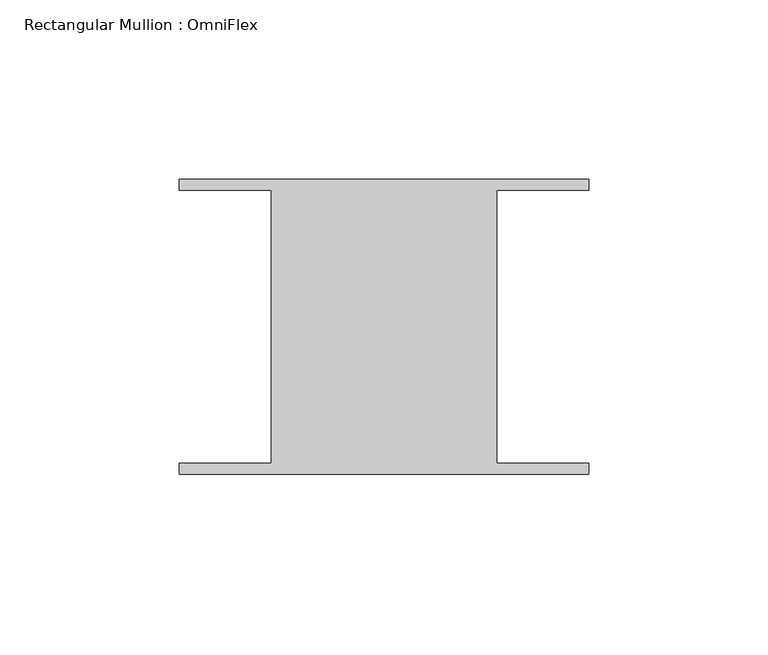
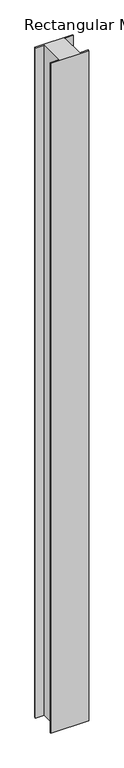
"""IFC4 building model written with IfcOpenShell, lengths in millimetres: member geometry, Rectangular Mullion : OmniFlex."""

import ifcopenshell
import ifcopenshell.guid

model = None  # the IFC model being written
_history = None  # IfcOwnerHistory: only IFC2X3 demands one
_inside = {}  # id of a spatial element -> (the spatial element, [elements in it])
_under = {}  # id of a project, library or spatial element -> (it, [spatial elements below it])
_declared = {}  # id of a project -> (the project, [libraries it declares])
_typed = {}  # id of a type object -> (the type object, [elements of that type])
_made_of = {}  # id of a material, layer set ... -> (it, [elements and type objects made of it])


def new_model(schema):
    """Start an empty IFC model of exactly this schema.

    Asked for "IFC4X3", IfcOpenShell would pick the latest addendum, in which some entities
    have other attributes; the version numbers below select the first issue.
    IFC2X3 requires an IfcOwnerHistory on every rooted entity: one is made here for all.
    """
    global model, _history
    if schema == "IFC4X3":
        model = ifcopenshell.file(schema_version=(4, 3, 0, 0))
    else:
        model = ifcopenshell.file(schema=schema)
    _inside.clear()
    _under.clear()
    _declared.clear()
    _typed.clear()
    _made_of.clear()
    _history = None
    if model.schema == "IFC2X3":
        org = make("IfcOrganization", Name="unknown")
        user = make(
            "IfcPersonAndOrganization",
            ThePerson=make("IfcPerson", FamilyName="unknown"),
            TheOrganization=org,
        )
        app = make(
            "IfcApplication",
            ApplicationDeveloper=org,
            Version="unknown",
            ApplicationFullName="unknown",
            ApplicationIdentifier="unknown",
        )
        _history = make(
            "IfcOwnerHistory",
            OwningUser=user,
            OwningApplication=app,
            ChangeAction="ADDED",
            CreationDate=0,
        )
    return model


def make(cls, **values):
    """One entity of the class cls with the attributes given. An attribute that is None is left unset."""
    return model.create_entity(
        cls, **{name: value for name, value in values.items() if value is not None}
    )


def rooted(cls, **values):
    """An entity with a GlobalId (a new one), such as an element, a storey or a relation."""
    return make(cls, GlobalId=ifcopenshell.guid.new(), OwnerHistory=_history, **values)


def si_unit(unit_type, name, prefix=None):
    """IfcSIUnit, for example si_unit("LENGTHUNIT", "METRE", prefix="MILLI")."""
    return make("IfcSIUnit", UnitType=unit_type, Prefix=prefix, Name=name)


def assignment(units):
    """IfcUnitAssignment: the units of a project."""
    return None if units is None else make("IfcUnitAssignment", Units=units)


def point(xyz):
    """IfcCartesianPoint."""
    return None if xyz is None else make("IfcCartesianPoint", Coordinates=xyz)


def direction(xyz):
    """IfcDirection."""
    return None if xyz is None else make("IfcDirection", DirectionRatios=xyz)


def frame(location, z_axis=None, x_axis=None):
    """IfcAxis2Placement3D, a coordinate frame: its origin and axes. An axis left out is left unset."""
    return make(
        "IfcAxis2Placement3D",
        Location=point(location),
        Axis=direction(z_axis),
        RefDirection=direction(x_axis),
    )


def origin():
    """The frame at (0, 0, 0) with its axes left unset."""
    return frame((0.0, 0.0, 0.0))


def place(relative_to, where):
    """IfcLocalPlacement: puts the frame where relative to a parent placement (None: the world)."""
    return make(
        "IfcLocalPlacement", PlacementRelTo=relative_to, RelativePlacement=where
    )


def context(
    kind, dimensions, precision=None, world=None, true_north=None, identifier=None
):
    """IfcGeometricRepresentationContext, for example the 3D "Model" context."""
    return make(
        "IfcGeometricRepresentationContext",
        ContextIdentifier=identifier,
        ContextType=kind,
        CoordinateSpaceDimension=dimensions,
        Precision=precision,
        WorldCoordinateSystem=world,
        TrueNorth=true_north,
    )


def project(units=None, contexts=None):
    """IfcProject with its units and contexts."""
    return rooted(
        "IfcProject",
        Name="project",
        RepresentationContexts=contexts,
        UnitsInContext=assignment(units),
    )


def spatial(cls, under=None, at=None, **own):
    """A site, building, storey or space (cls), placed at a placement, below another one or the project."""
    s = rooted(cls, ObjectPlacement=at, **own)
    if under is not None:
        _under.setdefault(under.id(), (under, []))[1].append(s)
    return s


def polyline(points):
    """IfcPolyline through the points."""
    return make("IfcPolyline", Points=[point(p) for p in points])


def outline(outer, holes=None, kind="AREA"):
    """IfcArbitraryClosedProfileDef: a profile drawn as a closed curve; with holes, ...WithVoids."""
    if holes is None:
        return make("IfcArbitraryClosedProfileDef", ProfileType=kind, OuterCurve=outer)
    return make(
        "IfcArbitraryProfileDefWithVoids",
        ProfileType=kind,
        OuterCurve=outer,
        InnerCurves=holes,
    )


def extrude(swept, where, along, depth):
    """IfcExtrudedAreaSolid: the profile swept, set in the frame where, extruded along a direction by depth."""
    return make(
        "IfcExtrudedAreaSolid",
        SweptArea=swept,
        Position=where,
        ExtrudedDirection=direction(along),
        Depth=depth,
    )


def shape(context_of_items, identifier, shape_type, items):
    """IfcShapeRepresentation: the items that make up one representation, for example the "Body"."""
    return make(
        "IfcShapeRepresentation",
        ContextOfItems=context_of_items,
        RepresentationIdentifier=identifier,
        RepresentationType=shape_type,
        Items=items,
    )


def source(mapping_origin, context_of_items, identifier, shape_type, items):
    """IfcRepresentationMap: a shape defined once, which mapped items show again and again."""
    return make(
        "IfcRepresentationMap",
        MappingOrigin=mapping_origin,
        MappedRepresentation=shape(context_of_items, identifier, shape_type, items),
    )


def transform(
    local_origin,
    x_axis=None,
    y_axis=None,
    z_axis=None,
    scale=None,
    scale2=None,
    scale3=None,
    uniform=True,
):
    """IfcCartesianTransformationOperator3D, or its non-uniform kind. x_axis, y_axis, z_axis: its Axis1, 2, 3."""
    if uniform:
        return make(
            "IfcCartesianTransformationOperator3D",
            Axis1=direction(x_axis),
            Axis2=direction(y_axis),
            LocalOrigin=point(local_origin),
            Scale=scale,
            Axis3=direction(z_axis),
        )
    return make(
        "IfcCartesianTransformationOperator3DnonUniform",
        Axis1=direction(x_axis),
        Axis2=direction(y_axis),
        LocalOrigin=point(local_origin),
        Scale=scale,
        Axis3=direction(z_axis),
        Scale2=scale2,
        Scale3=scale3,
    )


def mapped(mapping_source, mapping_target):
    """IfcMappedItem: shows the shape of a source again, moved by a transform."""
    return make(
        "IfcMappedItem", MappingSource=mapping_source, MappingTarget=mapping_target
    )


def made_of(thing, what):
    """Note that an element or type object is made of a material, layer set ...; save() writes the relation."""
    if what is not None:
        _made_of.setdefault(what.id(), (what, []))[1].append(thing)
    return thing


def element(
    cls,
    number,
    at=None,
    inside=None,
    cuts=None,
    type_object=None,
    material=None,
    context=None,
    identifier="Body",
    shape_type=None,
    held_by="IfcProductDefinitionShape",
    body=None,
    shapes=None,
    **own,
):
    """One element of the class cls, such as IfcWall. Its Tag is "e" and its number.

    at: its placement. inside: the storey or other place that contains it. cuts: it is an
    opening in that element (IfcRelVoidsElement). A single representation is given by context,
    identifier, shape_type and body (its items); several are given by shapes. held_by: the class
    of the entity that holds the representations. save() writes the other relations.
    """
    e = rooted(cls, Tag="e%d" % number, ObjectPlacement=at, **own)
    if body is not None:
        shapes = [shape(context, identifier, shape_type, body)]
    if shapes is not None:
        e.Representation = make(held_by, Representations=shapes)
    if inside is not None:
        _inside.setdefault(inside.id(), (inside, []))[1].append(e)
    if cuts is not None:
        rooted(
            "IfcRelVoidsElement", RelatingBuildingElement=cuts, RelatedOpeningElement=e
        )
    if type_object is not None:
        _typed.setdefault(type_object.id(), (type_object, []))[1].append(e)
    return made_of(e, material)


def aggregate(whole, parts):
    """IfcRelAggregates: a whole, such as a stair, and the parts it consists of."""
    return rooted("IfcRelAggregates", RelatingObject=whole, RelatedObjects=parts)


def save(model, path):
    """Write the relations noted so far, then the file.

    IfcRelAggregates (storeys below a building ...), IfcRelContainedInSpatialStructure (elements
    in a storey), IfcRelDefinesByType, IfcRelAssociatesMaterial and IfcRelDeclares: one each for
    every whole, place, type object, material and project.
    """
    for whole, parts in _under.values():
        aggregate(whole, parts)
    for where, things in _inside.values():
        rooted(
            "IfcRelContainedInSpatialStructure",
            RelatedElements=things,
            RelatingStructure=where,
        )
    for kind, things in _typed.values():
        rooted("IfcRelDefinesByType", RelatedObjects=things, RelatingType=kind)
    for what, things in _made_of.values():
        rooted("IfcRelAssociatesMaterial", RelatedObjects=things, RelatingMaterial=what)
    for by, libraries in _declared.values():
        rooted("IfcRelDeclares", RelatingContext=by, RelatedDefinitions=libraries)
    model.write(path)


def rectangular_mullion_omniflex_be248ca2(model_context):
    return source(origin(), model_context, "Body", "SweptSolid", [
        extrude(outline(polyline([(-57.15, 38.0620588), (-57.15, 41.13784), (57.15, 41.13784), (57.15, 38.0620587), (31.4523437, 38.0620588), (31.4523437, -38.0620587), (57.15, -38.0620588), (57.15, -41.13784), (-57.15, -41.13784), (-57.15, -38.0620587), (-31.4523438, -38.0620587), (-31.4523438, 38.0620588), (-57.15, 38.0620588)])), frame((0.0, 0.0, -2133.6), z_axis=(0.0, 0.0, 1.0), x_axis=(1.0, 0.0, 0.0)), (0.0, 0.0, 1.0), 2133.6),
    ])


if __name__ == "__main__":
    model = new_model("IFC4")
    model_context = context("Model", 3, world=origin())
    ifc_project = project(units=[si_unit("LENGTHUNIT", "METRE", prefix="MILLI")], contexts=[model_context])
    site = spatial("IfcSite", under=ifc_project)
    building = spatial("IfcBuilding", under=site)
    placement = place(None, origin())
    rectangular_mullion_omniflex_shape = rectangular_mullion_omniflex_be248ca2(model_context)
    element("IfcMember", 1, ObjectType="Rectangular Mullion : OmniFlex", at=placement, inside=building, context=model_context, shape_type="MappedRepresentation", body=[
        mapped(rectangular_mullion_omniflex_shape, transform((0.0, 0.0, 0.0), x_axis=(1.0, 0.0, 0.0), y_axis=(0.0, 1.0, 0.0), z_axis=(0.0, 0.0, 1.0))),
    ])
    save(model, "model.ifc")
